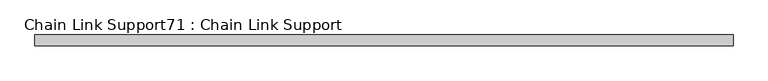
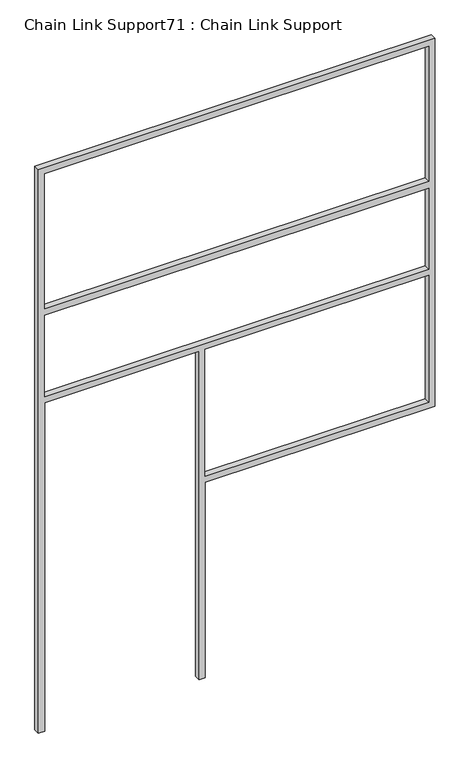
"""IFC4 building model written with IfcOpenShell, lengths in millimetres: proxy geometry, Chain Link Support71 : Chain Link Support."""

from ifc_helpers import new_model, si_unit, frame, origin, place, context, project, spatial, polyline, outline, extrude, source, transform, mapped, element, save


def chain_link_support71_chain_link_support_89df06c0(model_context):
    return source(origin(), model_context, "Body", "SweptSolid", [
        extrude(outline(polyline([(3657.6, 32245.2901795), (0.0, 32245.2901795), (0.0, 32283.3901795), (2133.6, 32283.3901795), (2133.6, 33232.7151795), (0.0, 33232.7151795), (0.0, 33270.8151795), (1270.0, 33270.8151795), (1270.0, 34683.6901795), (3657.6, 34683.6901795), (3657.6, 32245.2901795)]), holes=[polyline([(2743.2, 32283.3901795), (3619.5, 32283.3901795), (3619.5, 34645.5901795), (2743.2, 34645.5901795), (2743.2, 32283.3901795)]), polyline([(1308.1, 34645.5901795), (1308.1, 33270.8151795), (2133.6, 33270.8151795), (2133.6, 34645.5901795), (1308.1, 34645.5901795)]), polyline([(2171.7, 32283.3901795), (2698.75, 32283.3901795), (2698.75, 34645.5901795), (2171.7, 34645.5901795), (2171.7, 32283.3901795)])]), frame((0.0, 13524.542683, 0.0), z_axis=(0.0, 1.0, 0.0), x_axis=(0.0, 0.0, 1.0)), (0.0, 0.0, 1.0), 38.1),
    ])


if __name__ == "__main__":
    model = new_model("IFC4")
    model_context = context("Model", 3, world=origin())
    ifc_project = project(units=[si_unit("LENGTHUNIT", "METRE", prefix="MILLI")], contexts=[model_context])
    site = spatial("IfcSite", under=ifc_project)
    building = spatial("IfcBuilding", under=site)
    placement = place(None, origin())
    chain_link_support71_chain_link_support_shape = chain_link_support71_chain_link_support_89df06c0(model_context)
    element("IfcBuildingElementProxy", 1, Name="Chain Link Support71 : Chain Link Support", ObjectType="Chain Link Support71 : Chain Link Support", at=placement, inside=building, context=model_context, shape_type="MappedRepresentation", body=[
        mapped(chain_link_support71_chain_link_support_shape, transform((0.0, 0.0, 0.0), x_axis=(1.0, 0.0, 0.0), y_axis=(0.0, 1.0, 0.0), z_axis=(0.0, 0.0, 1.0))),
    ])
    save(model, "model.ifc")
